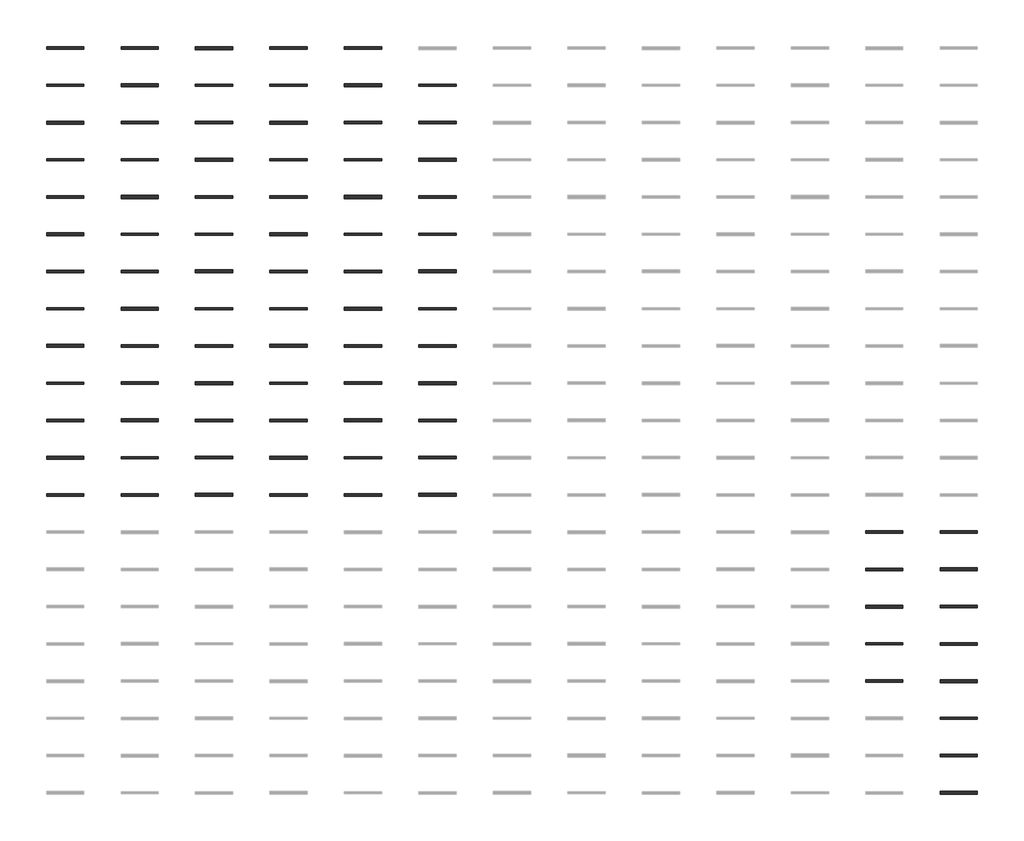
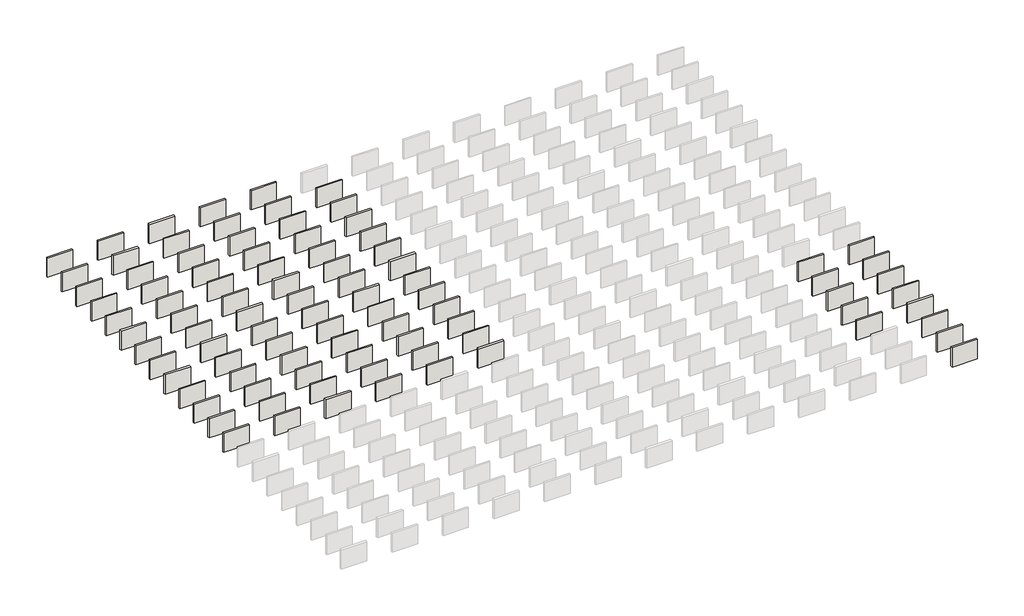
# One storey, part 2 of 3: 90 walls.
"""IFC4 building model written with IfcOpenShell, lengths in millimetres."""

from ifc_helpers import new_model, si_unit, origin, origin_with_axes, place, context, project, spatial, polyline, outline, extrude, element, save

model = new_model("IFC4")

# Units and contexts
model_context = context("Model", 3, world=origin())
ifc_project = project(units=[si_unit("LENGTHUNIT", "METRE", prefix="MILLI")], contexts=[model_context])

# Site, building, storey
site = spatial("IfcSite", under=ifc_project)
building = spatial("IfcBuilding", under=site)
storey = spatial("IfcBuildingStorey", under=building, Elevation=0.0)

# Walls
placement = place(None, origin())
element("IfcWall", 1, at=placement, inside=storey, context=model_context, shape_type="SweptSolid", body=[
    extrude(outline(polyline([(-29485.7977715, 38150.6556885), (-32533.7977715, 38150.6556885), (-32533.7977715, 38338.0314896), (-29485.7977715, 38338.0314896), (-29485.7977715, 38150.6556885)])), origin_with_axes(), (0.0, 0.0, 1.0), 2438.4),
])
element("IfcWall", 2, at=placement, inside=storey, context=model_context, shape_type="SweptSolid", body=[
    extrude(outline(polyline([(-23389.7977715, 38145.8931885), (-26437.7977715, 38145.8931885), (-26437.7977715, 38342.7939896), (-23389.7977715, 38342.7939896), (-23389.7977715, 38145.8931885)])), origin_with_axes(), (0.0, 0.0, 1.0), 2438.4),
])
element("IfcWall", 3, at=placement, inside=storey, context=model_context, shape_type="SweptSolid", body=[
    extrude(outline(polyline([(-17293.7977715, 38120.4931855), (-20341.7977715, 38120.4931855), (-20341.7977715, 38368.1939926), (-17293.7977715, 38368.1939926), (-17293.7977715, 38120.4931855)])), origin_with_axes(), (0.0, 0.0, 1.0), 2438.4),
])
element("IfcWall", 4, at=placement, inside=storey, context=model_context, shape_type="SweptSolid", body=[
    extrude(outline(polyline([(-11197.7977715, 38150.6556885), (-14245.7977715, 38150.6556885), (-14245.7977715, 38338.0314896), (-11197.7977715, 38338.0314896), (-11197.7977715, 38150.6556885)])), origin_with_axes(), (0.0, 0.0, 1.0), 2438.4),
])
element("IfcWall", 5, at=placement, inside=storey, context=model_context, shape_type="SweptSolid", body=[
    extrude(outline(polyline([(-5101.7977715, 38145.8931885), (-8149.7977715, 38145.8931885), (-8149.7977715, 38342.7939896), (-5101.7977715, 38342.7939896), (-5101.7977715, 38145.8931885)])), origin_with_axes(), (0.0, 0.0, 1.0), 2438.4),
])
element("IfcWall", 6, at=placement, inside=storey, context=model_context, shape_type="SweptSolid", body=[
    extrude(outline(polyline([(-23389.7977715, 35072.4931855), (-26437.7977715, 35072.4931855), (-26437.7977715, 35320.1939926), (-23389.7977715, 35320.1939926), (-23389.7977715, 35072.4931855)])), origin_with_axes(), (0.0, 0.0, 1.0), 2438.4),
])
element("IfcWall", 7, at=placement, inside=storey, context=model_context, shape_type="SweptSolid", body=[
    extrude(outline(polyline([(-17293.7977715, 35102.6556885), (-20341.7977715, 35102.6556885), (-20341.7977715, 35290.0314896), (-17293.7977715, 35290.0314896), (-17293.7977715, 35102.6556885)])), origin_with_axes(), (0.0, 0.0, 1.0), 2438.4),
])
element("IfcWall", 8, at=placement, inside=storey, context=model_context, shape_type="SweptSolid", body=[
    extrude(outline(polyline([(-11197.7977715, 35097.8931885), (-14245.7977715, 35097.8931885), (-14245.7977715, 35294.7939896), (-11197.7977715, 35294.7939896), (-11197.7977715, 35097.8931885)])), origin_with_axes(), (0.0, 0.0, 1.0), 2438.4),
])
element("IfcWall", 9, at=placement, inside=storey, context=model_context, shape_type="SweptSolid", body=[
    extrude(outline(polyline([(-5101.7977715, 35072.4931855), (-8149.7977715, 35072.4931855), (-8149.7977715, 35320.1939926), (-5101.7977715, 35320.1939926), (-5101.7977715, 35072.4931855)])), origin_with_axes(), (0.0, 0.0, 1.0), 2438.4),
])
element("IfcWall", 10, at=placement, inside=storey, context=model_context, shape_type="SweptSolid", body=[
    extrude(outline(polyline([(994.2022285, 35102.6556885), (-2053.7977715, 35102.6556885), (-2053.7977715, 35290.0314896), (994.2022285, 35290.0314896), (994.2022285, 35102.6556885)])), origin_with_axes(), (0.0, 0.0, 1.0), 2438.4),
])
element("IfcWall", 11, at=placement, inside=storey, context=model_context, shape_type="SweptSolid", body=[
    extrude(outline(polyline([(-29485.7977715, 35097.8931885), (-32533.7977715, 35097.8931885), (-32533.7977715, 35294.7939896), (-29485.7977715, 35294.7939896), (-29485.7977715, 35097.8931885)])), origin_with_axes(), (0.0, 0.0, 1.0), 2438.4),
])
element("IfcWall", 12, at=placement, inside=storey, context=model_context, shape_type="SweptSolid", body=[
    extrude(outline(polyline([(-23389.7977715, 32054.6556885), (-26437.7977715, 32054.6556885), (-26437.7977715, 32242.0314896), (-23389.7977715, 32242.0314896), (-23389.7977715, 32054.6556885)])), origin_with_axes(), (0.0, 0.0, 1.0), 2438.4),
])
element("IfcWall", 13, at=placement, inside=storey, context=model_context, shape_type="SweptSolid", body=[
    extrude(outline(polyline([(-17293.7977715, 32049.8931885), (-20341.7977715, 32049.8931885), (-20341.7977715, 32246.7939896), (-17293.7977715, 32246.7939896), (-17293.7977715, 32049.8931885)])), origin_with_axes(), (0.0, 0.0, 1.0), 2438.4),
])
element("IfcWall", 14, at=placement, inside=storey, context=model_context, shape_type="SweptSolid", body=[
    extrude(outline(polyline([(-11197.7977715, 32024.4931855), (-14245.7977715, 32024.4931855), (-14245.7977715, 32272.1939926), (-11197.7977715, 32272.1939926), (-11197.7977715, 32024.4931855)])), origin_with_axes(), (0.0, 0.0, 1.0), 2438.4),
])
element("IfcWall", 15, at=placement, inside=storey, context=model_context, shape_type="SweptSolid", body=[
    extrude(outline(polyline([(-5101.7977715, 32054.6556885), (-8149.7977715, 32054.6556885), (-8149.7977715, 32242.0314896), (-5101.7977715, 32242.0314896), (-5101.7977715, 32054.6556885)])), origin_with_axes(), (0.0, 0.0, 1.0), 2438.4),
])
element("IfcWall", 16, at=placement, inside=storey, context=model_context, shape_type="SweptSolid", body=[
    extrude(outline(polyline([(994.2022285, 32049.8931885), (-2053.7977715, 32049.8931885), (-2053.7977715, 32246.7939896), (994.2022285, 32246.7939896), (994.2022285, 32049.8931885)])), origin_with_axes(), (0.0, 0.0, 1.0), 2438.4),
])
element("IfcWall", 17, at=placement, inside=storey, context=model_context, shape_type="SweptSolid", body=[
    extrude(outline(polyline([(-29485.7977715, 32024.4931855), (-32533.7977715, 32024.4931855), (-32533.7977715, 32272.1939926), (-29485.7977715, 32272.1939926), (-29485.7977715, 32024.4931855)])), origin_with_axes(), (0.0, 0.0, 1.0), 2438.4),
])
element("IfcWall", 18, at=placement, inside=storey, context=model_context, shape_type="SweptSolid", body=[
    extrude(outline(polyline([(-23389.7977715, 29001.8931885), (-26437.7977715, 29001.8931885), (-26437.7977715, 29198.7939896), (-23389.7977715, 29198.7939896), (-23389.7977715, 29001.8931885)])), origin_with_axes(), (0.0, 0.0, 1.0), 2438.4),
])
element("IfcWall", 19, at=placement, inside=storey, context=model_context, shape_type="SweptSolid", body=[
    extrude(outline(polyline([(-17293.7977715, 28976.4931855), (-20341.7977715, 28976.4931855), (-20341.7977715, 29224.1939926), (-17293.7977715, 29224.1939926), (-17293.7977715, 28976.4931855)])), origin_with_axes(), (0.0, 0.0, 1.0), 2438.4),
])
element("IfcWall", 20, at=placement, inside=storey, context=model_context, shape_type="SweptSolid", body=[
    extrude(outline(polyline([(-11197.7977715, 29006.6556885), (-14245.7977715, 29006.6556885), (-14245.7977715, 29194.0314896), (-11197.7977715, 29194.0314896), (-11197.7977715, 29006.6556885)])), origin_with_axes(), (0.0, 0.0, 1.0), 2438.4),
])
element("IfcWall", 21, at=placement, inside=storey, context=model_context, shape_type="SweptSolid", body=[
    extrude(outline(polyline([(-5101.7977715, 29001.8931885), (-8149.7977715, 29001.8931885), (-8149.7977715, 29198.7939896), (-5101.7977715, 29198.7939896), (-5101.7977715, 29001.8931885)])), origin_with_axes(), (0.0, 0.0, 1.0), 2438.4),
])
element("IfcWall", 22, at=placement, inside=storey, context=model_context, shape_type="SweptSolid", body=[
    extrude(outline(polyline([(994.2022285, 28976.4931855), (-2053.7977715, 28976.4931855), (-2053.7977715, 29224.1939926), (994.2022285, 29224.1939926), (994.2022285, 28976.4931855)])), origin_with_axes(), (0.0, 0.0, 1.0), 2438.4),
])
element("IfcWall", 23, at=placement, inside=storey, context=model_context, shape_type="SweptSolid", body=[
    extrude(outline(polyline([(-29485.7977715, 29006.6556885), (-32533.7977715, 29006.6556885), (-32533.7977715, 29194.0314896), (-29485.7977715, 29194.0314896), (-29485.7977715, 29006.6556885)])), origin_with_axes(), (0.0, 0.0, 1.0), 2438.4),
])
element("IfcWall", 24, at=placement, inside=storey, context=model_context, shape_type="SweptSolid", body=[
    extrude(outline(polyline([(-23389.7977715, 25928.4931855), (-26437.7977715, 25928.4931855), (-26437.7977715, 26176.1939926), (-23389.7977715, 26176.1939926), (-23389.7977715, 25928.4931855)])), origin_with_axes(), (0.0, 0.0, 1.0), 2438.4),
])
element("IfcWall", 25, at=placement, inside=storey, context=model_context, shape_type="SweptSolid", body=[
    extrude(outline(polyline([(-17293.7977715, 25958.6556885), (-20341.7977715, 25958.6556885), (-20341.7977715, 26146.0314896), (-17293.7977715, 26146.0314896), (-17293.7977715, 25958.6556885)])), origin_with_axes(), (0.0, 0.0, 1.0), 2438.4),
])
element("IfcWall", 26, at=placement, inside=storey, context=model_context, shape_type="SweptSolid", body=[
    extrude(outline(polyline([(-11197.7977715, 25953.8931885), (-14245.7977715, 25953.8931885), (-14245.7977715, 26150.7939896), (-11197.7977715, 26150.7939896), (-11197.7977715, 25953.8931885)])), origin_with_axes(), (0.0, 0.0, 1.0), 2438.4),
])
element("IfcWall", 27, at=placement, inside=storey, context=model_context, shape_type="SweptSolid", body=[
    extrude(outline(polyline([(-5101.7977715, 25928.4931855), (-8149.7977715, 25928.4931855), (-8149.7977715, 26176.1939926), (-5101.7977715, 26176.1939926), (-5101.7977715, 25928.4931855)])), origin_with_axes(), (0.0, 0.0, 1.0), 2438.4),
])
element("IfcWall", 28, at=placement, inside=storey, context=model_context, shape_type="SweptSolid", body=[
    extrude(outline(polyline([(994.2022285, 25958.6556885), (-2053.7977715, 25958.6556885), (-2053.7977715, 26146.0314896), (994.2022285, 26146.0314896), (994.2022285, 25958.6556885)])), origin_with_axes(), (0.0, 0.0, 1.0), 2438.4),
])
element("IfcWall", 29, at=placement, inside=storey, context=model_context, shape_type="SweptSolid", body=[
    extrude(outline(polyline([(-29485.7977715, 25953.8931885), (-32533.7977715, 25953.8931885), (-32533.7977715, 26150.7939896), (-29485.7977715, 26150.7939896), (-29485.7977715, 25953.8931885)])), origin_with_axes(), (0.0, 0.0, 1.0), 2438.4),
])
element("IfcWall", 30, at=placement, inside=storey, context=model_context, shape_type="SweptSolid", body=[
    extrude(outline(polyline([(-23389.7977715, 22910.6556885), (-26437.7977715, 22910.6556885), (-26437.7977715, 23098.0314896), (-23389.7977715, 23098.0314896), (-23389.7977715, 22910.6556885)])), origin_with_axes(), (0.0, 0.0, 1.0), 2438.4),
])
element("IfcWall", 31, at=placement, inside=storey, context=model_context, shape_type="SweptSolid", body=[
    extrude(outline(polyline([(-17293.7977715, 22905.8931885), (-20341.7977715, 22905.8931885), (-20341.7977715, 23102.7939896), (-17293.7977715, 23102.7939896), (-17293.7977715, 22905.8931885)])), origin_with_axes(), (0.0, 0.0, 1.0), 2438.4),
])
element("IfcWall", 32, at=placement, inside=storey, context=model_context, shape_type="SweptSolid", body=[
    extrude(outline(polyline([(-11197.7977715, 22880.4931855), (-14245.7977715, 22880.4931855), (-14245.7977715, 23128.1939926), (-11197.7977715, 23128.1939926), (-11197.7977715, 22880.4931855)])), origin_with_axes(), (0.0, 0.0, 1.0), 2438.4),
])
element("IfcWall", 33, at=placement, inside=storey, context=model_context, shape_type="SweptSolid", body=[
    extrude(outline(polyline([(-5101.7977715, 22910.6556885), (-8149.7977715, 22910.6556885), (-8149.7977715, 23098.0314896), (-5101.7977715, 23098.0314896), (-5101.7977715, 22910.6556885)])), origin_with_axes(), (0.0, 0.0, 1.0), 2438.4),
])
element("IfcWall", 34, at=placement, inside=storey, context=model_context, shape_type="SweptSolid", body=[
    extrude(outline(polyline([(994.2022285, 22905.8931885), (-2053.7977715, 22905.8931885), (-2053.7977715, 23102.7939896), (994.2022285, 23102.7939896), (994.2022285, 22905.8931885)])), origin_with_axes(), (0.0, 0.0, 1.0), 2438.4),
])
element("IfcWall", 35, at=placement, inside=storey, context=model_context, shape_type="SweptSolid", body=[
    extrude(outline(polyline([(-29485.7977715, 22880.4931855), (-32533.7977715, 22880.4931855), (-32533.7977715, 23128.1939926), (-29485.7977715, 23128.1939926), (-29485.7977715, 22880.4931855)])), origin_with_axes(), (0.0, 0.0, 1.0), 2438.4),
])
element("IfcWall", 36, at=placement, inside=storey, context=model_context, shape_type="SweptSolid", body=[
    extrude(outline(polyline([(-23389.7977715, 19857.8931885), (-26437.7977715, 19857.8931885), (-26437.7977715, 20054.7939896), (-23389.7977715, 20054.7939896), (-23389.7977715, 19857.8931885)])), origin_with_axes(), (0.0, 0.0, 1.0), 2438.4),
])
element("IfcWall", 37, at=placement, inside=storey, context=model_context, shape_type="SweptSolid", body=[
    extrude(outline(polyline([(-17293.7977715, 19832.4931855), (-20341.7977715, 19832.4931855), (-20341.7977715, 20080.1939926), (-17293.7977715, 20080.1939926), (-17293.7977715, 19832.4931855)])), origin_with_axes(), (0.0, 0.0, 1.0), 2438.4),
])
element("IfcWall", 38, at=placement, inside=storey, context=model_context, shape_type="SweptSolid", body=[
    extrude(outline(polyline([(-11197.7977715, 19862.6556885), (-14245.7977715, 19862.6556885), (-14245.7977715, 20050.0314896), (-11197.7977715, 20050.0314896), (-11197.7977715, 19862.6556885)])), origin_with_axes(), (0.0, 0.0, 1.0), 2438.4),
])
element("IfcWall", 39, at=placement, inside=storey, context=model_context, shape_type="SweptSolid", body=[
    extrude(outline(polyline([(-5101.7977715, 19857.8931885), (-8149.7977715, 19857.8931885), (-8149.7977715, 20054.7939896), (-5101.7977715, 20054.7939896), (-5101.7977715, 19857.8931885)])), origin_with_axes(), (0.0, 0.0, 1.0), 2438.4),
])
element("IfcWall", 40, at=placement, inside=storey, context=model_context, shape_type="SweptSolid", body=[
    extrude(outline(polyline([(994.2022285, 19832.4931855), (-2053.7977715, 19832.4931855), (-2053.7977715, 20080.1939926), (994.2022285, 20080.1939926), (994.2022285, 19832.4931855)])), origin_with_axes(), (0.0, 0.0, 1.0), 2438.4),
])
element("IfcWall", 41, at=placement, inside=storey, context=model_context, shape_type="SweptSolid", body=[
    extrude(outline(polyline([(-29485.7977715, 19862.6556885), (-32533.7977715, 19862.6556885), (-32533.7977715, 20050.0314896), (-29485.7977715, 20050.0314896), (-29485.7977715, 19862.6556885)])), origin_with_axes(), (0.0, 0.0, 1.0), 2438.4),
])
element("IfcWall", 42, at=placement, inside=storey, context=model_context, shape_type="SweptSolid", body=[
    extrude(outline(polyline([(-23389.7977715, 16784.4931855), (-26437.7977715, 16784.4931855), (-26437.7977715, 17032.1939926), (-23389.7977715, 17032.1939926), (-23389.7977715, 16784.4931855)])), origin_with_axes(), (0.0, 0.0, 1.0), 2438.4),
])
element("IfcWall", 43, at=placement, inside=storey, context=model_context, shape_type="SweptSolid", body=[
    extrude(outline(polyline([(-17293.7977715, 16814.6556885), (-20341.7977715, 16814.6556885), (-20341.7977715, 17002.0314896), (-17293.7977715, 17002.0314896), (-17293.7977715, 16814.6556885)])), origin_with_axes(), (0.0, 0.0, 1.0), 2438.4),
])
element("IfcWall", 44, at=placement, inside=storey, context=model_context, shape_type="SweptSolid", body=[
    extrude(outline(polyline([(-11197.7977715, 16809.8931885), (-14245.7977715, 16809.8931885), (-14245.7977715, 17006.7939896), (-11197.7977715, 17006.7939896), (-11197.7977715, 16809.8931885)])), origin_with_axes(), (0.0, 0.0, 1.0), 2438.4),
])
element("IfcWall", 45, at=placement, inside=storey, context=model_context, shape_type="SweptSolid", body=[
    extrude(outline(polyline([(-5101.7977715, 16784.4931855), (-8149.7977715, 16784.4931855), (-8149.7977715, 17032.1939926), (-5101.7977715, 17032.1939926), (-5101.7977715, 16784.4931855)])), origin_with_axes(), (0.0, 0.0, 1.0), 2438.4),
])
element("IfcWall", 46, at=placement, inside=storey, context=model_context, shape_type="SweptSolid", body=[
    extrude(outline(polyline([(994.2022285, 16814.6556885), (-2053.7977715, 16814.6556885), (-2053.7977715, 17002.0314896), (994.2022285, 17002.0314896), (994.2022285, 16814.6556885)])), origin_with_axes(), (0.0, 0.0, 1.0), 2438.4),
])
element("IfcWall", 47, at=placement, inside=storey, context=model_context, shape_type="SweptSolid", body=[
    extrude(outline(polyline([(-29485.7977715, 16809.8931885), (-32533.7977715, 16809.8931885), (-32533.7977715, 17006.7939896), (-29485.7977715, 17006.7939896), (-29485.7977715, 16809.8931885)])), origin_with_axes(), (0.0, 0.0, 1.0), 2438.4),
])
element("IfcWall", 48, at=placement, inside=storey, context=model_context, shape_type="SweptSolid", body=[
    extrude(outline(polyline([(-23389.7977715, 13766.6556885), (-26437.7977715, 13766.6556885), (-26437.7977715, 13954.0314896), (-23389.7977715, 13954.0314896), (-23389.7977715, 13766.6556885)])), origin_with_axes(), (0.0, 0.0, 1.0), 2438.4),
])
element("IfcWall", 49, at=placement, inside=storey, context=model_context, shape_type="SweptSolid", body=[
    extrude(outline(polyline([(-17293.7977715, 13761.8931885), (-20341.7977715, 13761.8931885), (-20341.7977715, 13958.7939896), (-17293.7977715, 13958.7939896), (-17293.7977715, 13761.8931885)])), origin_with_axes(), (0.0, 0.0, 1.0), 2438.4),
])
element("IfcWall", 50, at=placement, inside=storey, context=model_context, shape_type="SweptSolid", body=[
    extrude(outline(polyline([(-11197.7977715, 13736.4931855), (-14245.7977715, 13736.4931855), (-14245.7977715, 13984.1939926), (-11197.7977715, 13984.1939926), (-11197.7977715, 13736.4931855)])), origin_with_axes(), (0.0, 0.0, 1.0), 2438.4),
])
element("IfcWall", 51, at=placement, inside=storey, context=model_context, shape_type="SweptSolid", body=[
    extrude(outline(polyline([(-5101.7977715, 13766.6556885), (-8149.7977715, 13766.6556885), (-8149.7977715, 13954.0314896), (-5101.7977715, 13954.0314896), (-5101.7977715, 13766.6556885)])), origin_with_axes(), (0.0, 0.0, 1.0), 2438.4),
])
element("IfcWall", 52, at=placement, inside=storey, context=model_context, shape_type="SweptSolid", body=[
    extrude(outline(polyline([(994.2022285, 13761.8931885), (-2053.7977715, 13761.8931885), (-2053.7977715, 13958.7939896), (994.2022285, 13958.7939896), (994.2022285, 13761.8931885)])), origin_with_axes(), (0.0, 0.0, 1.0), 2438.4),
])
element("IfcWall", 53, at=placement, inside=storey, context=model_context, shape_type="SweptSolid", body=[
    extrude(outline(polyline([(-29485.7977715, 13736.4931855), (-32533.7977715, 13736.4931855), (-32533.7977715, 13984.1939926), (-29485.7977715, 13984.1939926), (-29485.7977715, 13736.4931855)])), origin_with_axes(), (0.0, 0.0, 1.0), 2438.4),
])
element("IfcWall", 54, at=placement, inside=storey, context=model_context, shape_type="SweptSolid", body=[
    extrude(outline(polyline([(-23389.7977715, 10713.8931885), (-26437.7977715, 10713.8931885), (-26437.7977715, 10910.7939896), (-23389.7977715, 10910.7939896), (-23389.7977715, 10713.8931885)])), origin_with_axes(), (0.0, 0.0, 1.0), 2438.4),
])
element("IfcWall", 55, at=placement, inside=storey, context=model_context, shape_type="SweptSolid", body=[
    extrude(outline(polyline([(-17293.7977715, 10688.4931855), (-20341.7977715, 10688.4931855), (-20341.7977715, 10936.1939926), (-17293.7977715, 10936.1939926), (-17293.7977715, 10688.4931855)])), origin_with_axes(), (0.0, 0.0, 1.0), 2438.4),
])
element("IfcWall", 56, at=placement, inside=storey, context=model_context, shape_type="SweptSolid", body=[
    extrude(outline(polyline([(-11197.7977715, 10718.6556885), (-14245.7977715, 10718.6556885), (-14245.7977715, 10906.0314896), (-11197.7977715, 10906.0314896), (-11197.7977715, 10718.6556885)])), origin_with_axes(), (0.0, 0.0, 1.0), 2438.4),
])
element("IfcWall", 57, at=placement, inside=storey, context=model_context, shape_type="SweptSolid", body=[
    extrude(outline(polyline([(-5101.7977715, 10713.8931885), (-8149.7977715, 10713.8931885), (-8149.7977715, 10910.7939896), (-5101.7977715, 10910.7939896), (-5101.7977715, 10713.8931885)])), origin_with_axes(), (0.0, 0.0, 1.0), 2438.4),
])
element("IfcWall", 58, at=placement, inside=storey, context=model_context, shape_type="SweptSolid", body=[
    extrude(outline(polyline([(994.2022285, 10688.4931855), (-2053.7977715, 10688.4931855), (-2053.7977715, 10936.1939926), (994.2022285, 10936.1939926), (994.2022285, 10688.4931855)])), origin_with_axes(), (0.0, 0.0, 1.0), 2438.4),
])
element("IfcWall", 59, at=placement, inside=storey, context=model_context, shape_type="SweptSolid", body=[
    extrude(outline(polyline([(-29485.7977715, 10718.6556885), (-32533.7977715, 10718.6556885), (-32533.7977715, 10906.0314896), (-29485.7977715, 10906.0314896), (-29485.7977715, 10718.6556885)])), origin_with_axes(), (0.0, 0.0, 1.0), 2438.4),
])
element("IfcWall", 60, at=placement, inside=storey, context=model_context, shape_type="SweptSolid", body=[
    extrude(outline(polyline([(-23389.7977715, 7640.4931855), (-26437.7977715, 7640.4931855), (-26437.7977715, 7888.1939926), (-23389.7977715, 7888.1939926), (-23389.7977715, 7640.4931855)])), origin_with_axes(), (0.0, 0.0, 1.0), 2438.4),
])
element("IfcWall", 61, at=placement, inside=storey, context=model_context, shape_type="SweptSolid", body=[
    extrude(outline(polyline([(-17293.7977715, 7670.6556885), (-20341.7977715, 7670.6556885), (-20341.7977715, 7858.0314896), (-17293.7977715, 7858.0314896), (-17293.7977715, 7670.6556885)])), origin_with_axes(), (0.0, 0.0, 1.0), 2438.4),
])
element("IfcWall", 62, at=placement, inside=storey, context=model_context, shape_type="SweptSolid", body=[
    extrude(outline(polyline([(-11197.7977715, 7665.8931885), (-14245.7977715, 7665.8931885), (-14245.7977715, 7862.7939896), (-11197.7977715, 7862.7939896), (-11197.7977715, 7665.8931885)])), origin_with_axes(), (0.0, 0.0, 1.0), 2438.4),
])
element("IfcWall", 63, at=placement, inside=storey, context=model_context, shape_type="SweptSolid", body=[
    extrude(outline(polyline([(-5101.7977715, 7640.4931855), (-8149.7977715, 7640.4931855), (-8149.7977715, 7888.1939926), (-5101.7977715, 7888.1939926), (-5101.7977715, 7640.4931855)])), origin_with_axes(), (0.0, 0.0, 1.0), 2438.4),
])
element("IfcWall", 64, at=placement, inside=storey, context=model_context, shape_type="SweptSolid", body=[
    extrude(outline(polyline([(994.2022285, 7670.6556885), (-2053.7977715, 7670.6556885), (-2053.7977715, 7858.0314896), (994.2022285, 7858.0314896), (994.2022285, 7670.6556885)])), origin_with_axes(), (0.0, 0.0, 1.0), 2438.4),
])
element("IfcWall", 65, at=placement, inside=storey, context=model_context, shape_type="SweptSolid", body=[
    extrude(outline(polyline([(-29485.7977715, 7665.8931885), (-32533.7977715, 7665.8931885), (-32533.7977715, 7862.7939896), (-29485.7977715, 7862.7939896), (-29485.7977715, 7665.8931885)])), origin_with_axes(), (0.0, 0.0, 1.0), 2438.4),
])
element("IfcWall", 66, at=placement, inside=storey, context=model_context, shape_type="SweptSolid", body=[
    extrude(outline(polyline([(-23389.7977715, 4622.6556885), (-26437.7977715, 4622.6556885), (-26437.7977715, 4810.0314896), (-23389.7977715, 4810.0314896), (-23389.7977715, 4622.6556885)])), origin_with_axes(), (0.0, 0.0, 1.0), 2438.4),
])
element("IfcWall", 67, at=placement, inside=storey, context=model_context, shape_type="SweptSolid", body=[
    extrude(outline(polyline([(-17293.7977715, 4617.8931885), (-20341.7977715, 4617.8931885), (-20341.7977715, 4814.7939896), (-17293.7977715, 4814.7939896), (-17293.7977715, 4617.8931885)])), origin_with_axes(), (0.0, 0.0, 1.0), 2438.4),
])
element("IfcWall", 68, at=placement, inside=storey, context=model_context, shape_type="SweptSolid", body=[
    extrude(outline(polyline([(-11197.7977715, 4592.4931855), (-14245.7977715, 4592.4931855), (-14245.7977715, 4840.1939926), (-11197.7977715, 4840.1939926), (-11197.7977715, 4592.4931855)])), origin_with_axes(), (0.0, 0.0, 1.0), 2438.4),
])
element("IfcWall", 69, at=placement, inside=storey, context=model_context, shape_type="SweptSolid", body=[
    extrude(outline(polyline([(-5101.7977715, 4622.6556885), (-8149.7977715, 4622.6556885), (-8149.7977715, 4810.0314896), (-5101.7977715, 4810.0314896), (-5101.7977715, 4622.6556885)])), origin_with_axes(), (0.0, 0.0, 1.0), 2438.4),
])
element("IfcWall", 70, at=placement, inside=storey, context=model_context, shape_type="SweptSolid", body=[
    extrude(outline(polyline([(994.2022285, 4617.8931885), (-2053.7977715, 4617.8931885), (-2053.7977715, 4814.7939896), (994.2022285, 4814.7939896), (994.2022285, 4617.8931885)])), origin_with_axes(), (0.0, 0.0, 1.0), 2438.4),
])
element("IfcWall", 71, at=placement, inside=storey, context=model_context, shape_type="SweptSolid", body=[
    extrude(outline(polyline([(-29485.7977715, 4592.4931855), (-32533.7977715, 4592.4931855), (-32533.7977715, 4840.1939926), (-29485.7977715, 4840.1939926), (-29485.7977715, 4592.4931855)])), origin_with_axes(), (0.0, 0.0, 1.0), 2438.4),
])
element("IfcWall", 72, at=placement, inside=storey, context=model_context, shape_type="SweptSolid", body=[
    extrude(outline(polyline([(-23389.7977715, 1569.8931885), (-26437.7977715, 1569.8931885), (-26437.7977715, 1766.7939896), (-23389.7977715, 1766.7939896), (-23389.7977715, 1569.8931885)])), origin_with_axes(), (0.0, 0.0, 1.0), 2438.4),
])
element("IfcWall", 73, at=placement, inside=storey, context=model_context, shape_type="SweptSolid", body=[
    extrude(outline(polyline([(-17293.7977715, 1544.4931855), (-20341.7977715, 1544.4931855), (-20341.7977715, 1792.1939926), (-17293.7977715, 1792.1939926), (-17293.7977715, 1544.4931855)])), origin_with_axes(), (0.0, 0.0, 1.0), 2438.4),
])
element("IfcWall", 74, at=placement, inside=storey, context=model_context, shape_type="SweptSolid", body=[
    extrude(outline(polyline([(-11197.7977715, 1574.6556885), (-14245.7977715, 1574.6556885), (-14245.7977715, 1762.0314896), (-11197.7977715, 1762.0314896), (-11197.7977715, 1574.6556885)])), origin_with_axes(), (0.0, 0.0, 1.0), 2438.4),
])
element("IfcWall", 75, at=placement, inside=storey, context=model_context, shape_type="SweptSolid", body=[
    extrude(outline(polyline([(-5101.7977715, 1569.8931885), (-8149.7977715, 1569.8931885), (-8149.7977715, 1766.7939896), (-5101.7977715, 1766.7939896), (-5101.7977715, 1569.8931885)])), origin_with_axes(), (0.0, 0.0, 1.0), 2438.4),
])
element("IfcWall", 76, at=placement, inside=storey, context=model_context, shape_type="SweptSolid", body=[
    extrude(outline(polyline([(994.2022285, 1544.4931855), (-2053.7977715, 1544.4931855), (-2053.7977715, 1792.1939926), (994.2022285, 1792.1939926), (994.2022285, 1544.4931855)])), origin_with_axes(), (0.0, 0.0, 1.0), 2438.4),
])
element("IfcWall", 77, at=placement, inside=storey, context=model_context, shape_type="SweptSolid", body=[
    extrude(outline(polyline([(-29485.7977715, 1574.6556885), (-32533.7977715, 1574.6556885), (-32533.7977715, 1762.0314896), (-29485.7977715, 1762.0314896), (-29485.7977715, 1574.6556885)])), origin_with_axes(), (0.0, 0.0, 1.0), 2438.4),
])
element("IfcWall", 78, at=placement, inside=storey, context=model_context, shape_type="SweptSolid", body=[
    extrude(outline(polyline([(37570.2022285, -1473.3443115), (34522.2022285, -1473.3443115), (34522.2022285, -1285.9685104), (37570.2022285, -1285.9685104), (37570.2022285, -1473.3443115)])), origin_with_axes(), (0.0, 0.0, 1.0), 2438.4),
])
element("IfcWall", 79, at=placement, inside=storey, context=model_context, shape_type="SweptSolid", body=[
    extrude(outline(polyline([(43666.2022285, -1478.1068115), (40618.2022285, -1478.1068115), (40618.2022285, -1281.2060104), (43666.2022285, -1281.2060104), (43666.2022285, -1478.1068115)])), origin_with_axes(), (0.0, 0.0, 1.0), 2438.4),
])
element("IfcWall", 80, at=placement, inside=storey, context=model_context, shape_type="SweptSolid", body=[
    extrude(outline(polyline([(37570.2022285, -4526.1068115), (34522.2022285, -4526.1068115), (34522.2022285, -4329.2060104), (37570.2022285, -4329.2060104), (37570.2022285, -4526.1068115)])), origin_with_axes(), (0.0, 0.0, 1.0), 2438.4),
])
element("IfcWall", 81, at=placement, inside=storey, context=model_context, shape_type="SweptSolid", body=[
    extrude(outline(polyline([(43666.2022285, -4551.5068145), (40618.2022285, -4551.5068145), (40618.2022285, -4303.8060074), (43666.2022285, -4303.8060074), (43666.2022285, -4551.5068145)])), origin_with_axes(), (0.0, 0.0, 1.0), 2438.4),
])
element("IfcWall", 82, at=placement, inside=storey, context=model_context, shape_type="SweptSolid", body=[
    extrude(outline(polyline([(37570.2022285, -7599.5068145), (34522.2022285, -7599.5068145), (34522.2022285, -7351.8060074), (37570.2022285, -7351.8060074), (37570.2022285, -7599.5068145)])), origin_with_axes(), (0.0, 0.0, 1.0), 2438.4),
])
element("IfcWall", 83, at=placement, inside=storey, context=model_context, shape_type="SweptSolid", body=[
    extrude(outline(polyline([(43666.2022285, -7569.3443115), (40618.2022285, -7569.3443115), (40618.2022285, -7381.9685104), (43666.2022285, -7381.9685104), (43666.2022285, -7569.3443115)])), origin_with_axes(), (0.0, 0.0, 1.0), 2438.4),
])
element("IfcWall", 84, at=placement, inside=storey, context=model_context, shape_type="SweptSolid", body=[
    extrude(outline(polyline([(37570.2022285, -10617.3443115), (34522.2022285, -10617.3443115), (34522.2022285, -10429.9685104), (37570.2022285, -10429.9685104), (37570.2022285, -10617.3443115)])), origin_with_axes(), (0.0, 0.0, 1.0), 2438.4),
])
element("IfcWall", 85, at=placement, inside=storey, context=model_context, shape_type="SweptSolid", body=[
    extrude(outline(polyline([(43666.2022285, -10622.1068115), (40618.2022285, -10622.1068115), (40618.2022285, -10425.2060104), (43666.2022285, -10425.2060104), (43666.2022285, -10622.1068115)])), origin_with_axes(), (0.0, 0.0, 1.0), 2438.4),
])
element("IfcWall", 86, at=placement, inside=storey, context=model_context, shape_type="SweptSolid", body=[
    extrude(outline(polyline([(37570.2022285, -13670.1068115), (34522.2022285, -13670.1068115), (34522.2022285, -13473.2060104), (37570.2022285, -13473.2060104), (37570.2022285, -13670.1068115)])), origin_with_axes(), (0.0, 0.0, 1.0), 2438.4),
])
element("IfcWall", 87, at=placement, inside=storey, context=model_context, shape_type="SweptSolid", body=[
    extrude(outline(polyline([(43666.2022285, -13695.5068145), (40618.2022285, -13695.5068145), (40618.2022285, -13447.8060074), (43666.2022285, -13447.8060074), (43666.2022285, -13695.5068145)])), origin_with_axes(), (0.0, 0.0, 1.0), 2438.4),
])
element("IfcWall", 88, at=placement, inside=storey, context=model_context, shape_type="SweptSolid", body=[
    extrude(outline(polyline([(43666.2022285, -16713.3443115), (40618.2022285, -16713.3443115), (40618.2022285, -16525.9685104), (43666.2022285, -16525.9685104), (43666.2022285, -16713.3443115)])), origin_with_axes(), (0.0, 0.0, 1.0), 2438.4),
])
element("IfcWall", 89, at=placement, inside=storey, context=model_context, shape_type="SweptSolid", body=[
    extrude(outline(polyline([(43666.2022285, -19770.8693116), (40618.2022285, -19770.8693116), (40618.2022285, -19564.4435103), (43666.2022285, -19564.4435103), (43666.2022285, -19770.8693116)])), origin_with_axes(), (0.0, 0.0, 1.0), 2438.4),
])
element("IfcWall", 90, at=placement, inside=storey, context=model_context, shape_type="SweptSolid", body=[
    extrude(outline(polyline([(43666.2022285, -22844.2693147), (40618.2022285, -22844.2693147), (40618.2022285, -22587.0435073), (43666.2022285, -22587.0435073), (43666.2022285, -22844.2693147)])), origin_with_axes(), (0.0, 0.0, 1.0), 2438.4),
])

save(model, "model.ifc")
